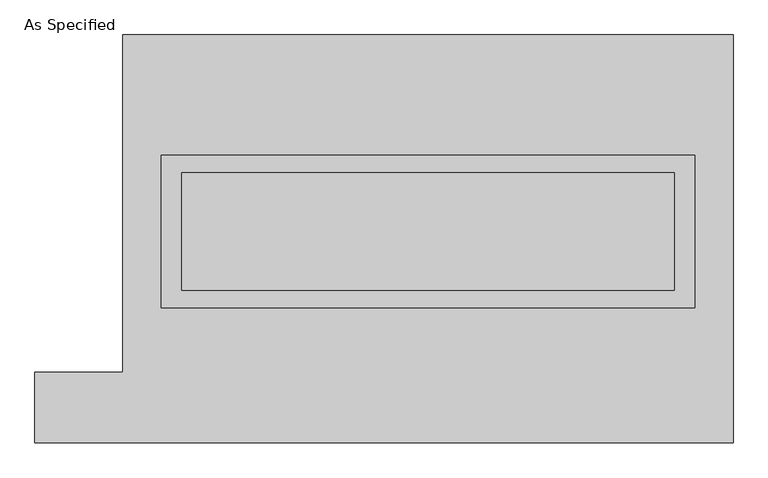
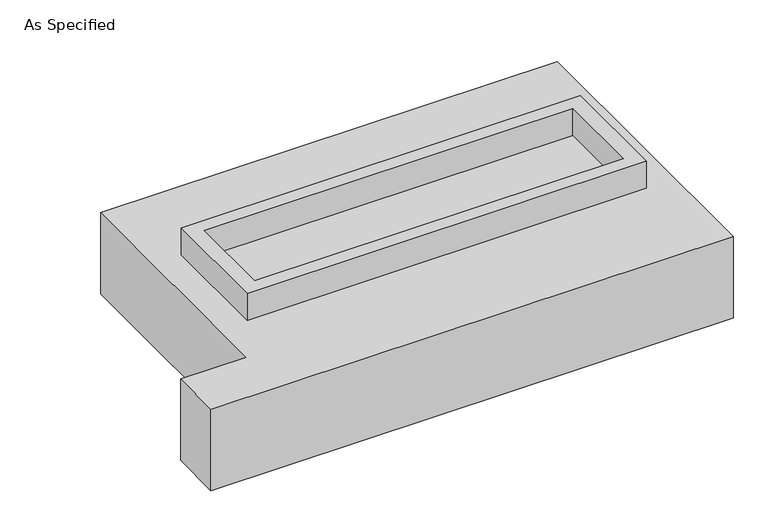
"""IFC4 building model written with IfcOpenShell, lengths in millimetres: proxy geometry, As Specified."""

from ifc_helpers import new_model, si_unit, frame, origin, place, context, project, spatial, polyline, outline, extrude, faceted_brep, source, transform, mapped, element, save


def as_specified_f951afc8(model_context):
    return source(origin(), model_context, "Body", "SolidModel", [
        extrude(outline(polyline([(1155.7, 361.95), (1155.7, -298.45), (-1155.7, -298.45), (-1155.7, 361.95), (1155.7, 361.95)]), holes=[polyline([(1066.8, 285.75), (-1066.8, 285.75), (-1066.8, -222.25), (1066.8, -222.25), (1066.8, 285.75)])]), frame((0.0, 0.0, -25.4), z_axis=(0.0, 0.0, 1.0), x_axis=(1.0, 0.0, 0.0)), (0.0, 0.0, 1.0), 165.1),
        extrude(outline(polyline([(1066.8, 285.75), (1066.8, -222.25), (-1066.8, -222.25), (-1066.8, 285.75), (1066.8, 285.75)])), frame((0.0, 0.0, -30.3609375), z_axis=(0.0, 0.0, 1.0), x_axis=(1.0, 0.0, 0.0)), (0.0, 0.0, 1.0), 4.9609375),
        faceted_brep([(-1320.8, 882.65, -523.875), (1320.8, 882.65, -523.875), (1320.8, -882.65, -523.875), (-1701.8, -882.65, -523.875), (-1701.8, -577.85, -523.875), (-1320.8, -577.85, -523.875), (1320.8, 882.65, -25.4), (-1320.8, 882.65, -25.4), (-1320.8, -577.85, -25.4), (-1701.8, -577.85, -25.4), (-1701.8, -882.65, -25.4), (1320.8, -882.65, -25.4), (-1155.7, -298.45, -25.4), (-1155.7, 361.95, -25.4), (1155.7, 361.95, -25.4), (1155.7, -298.45, -25.4), (1155.7, 361.95, -498.475), (-1155.7, 361.95, -498.475), (-1155.7, -298.45, -498.475), (1155.7, -298.45, -498.475)], [[[0, 1, 2, 3, 4, 5]], [[6, 7, 8, 9, 10, 11], [12, 13, 14, 15]], [[1, 0, 7, 6]], [[7, 0, 5, 8]], [[1, 6, 11, 2]], [[16, 17, 18, 19]], [[18, 17, 13, 12]], [[17, 16, 14, 13]], [[16, 19, 15, 14]], [[12, 15, 19, 18]], [[3, 2, 11, 10]], [[5, 4, 9, 8]], [[4, 3, 10, 9]]]),
    ])


if __name__ == "__main__":
    model = new_model("IFC4")
    model_context = context("Model", 3, world=origin())
    ifc_project = project(units=[si_unit("LENGTHUNIT", "METRE", prefix="MILLI")], contexts=[model_context])
    site = spatial("IfcSite", under=ifc_project)
    building = spatial("IfcBuilding", under=site)
    placement = place(None, origin())
    as_specified_shape = as_specified_f951afc8(model_context)
    element("IfcBuildingElementProxy", 1, Name="As Specified", ObjectType="As Specified", at=placement, inside=building, context=model_context, shape_type="MappedRepresentation", body=[
        mapped(as_specified_shape, transform((0.0, 0.0, 0.0), x_axis=(1.0, 0.0, 0.0), y_axis=(0.0, 1.0, 0.0), z_axis=(0.0, 0.0, 1.0))),
    ])
    save(model, "model.ifc")
